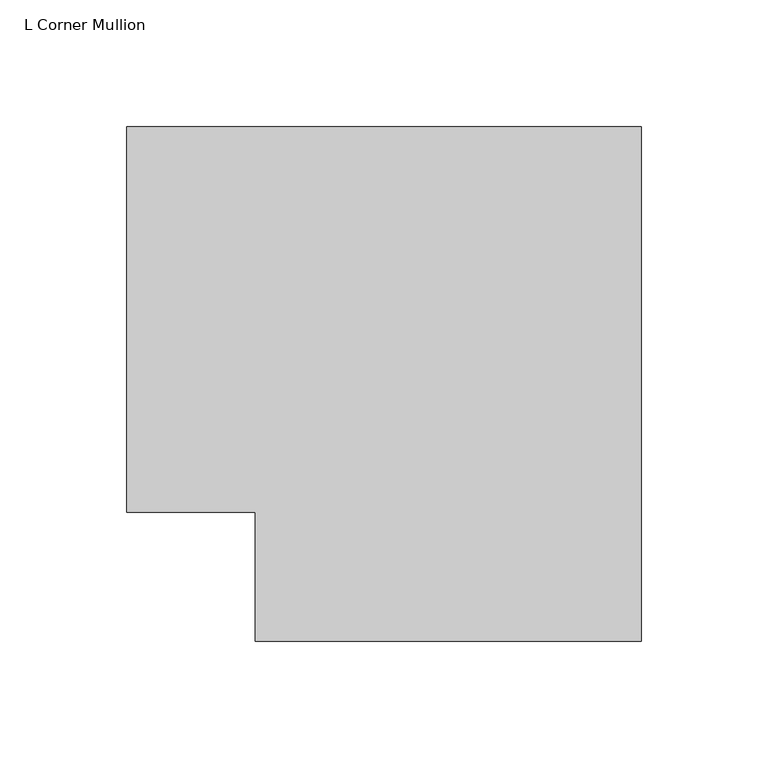
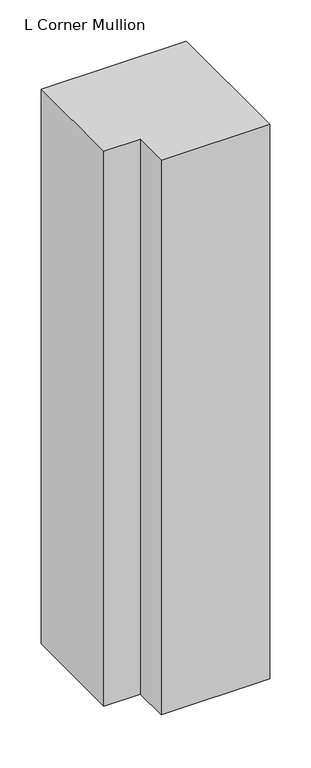
"""IFC4 building model written with IfcOpenShell, lengths in millimetres: member geometry, L Corner Mullion."""

from ifc_helpers import new_model, si_unit, frame, origin, place, context, project, spatial, polyline, outline, extrude, source, transform, mapped, element, save


def l_corner_mullion_5cc9a046(model_context):
    return source(origin(), model_context, "Body", "SweptSolid", [
        extrude(outline(polyline([(-139.7, -190.5), (-139.7, -139.7), (-190.5, -139.7), (-190.5, 12.7), (12.7, 12.7), (12.7, -190.5), (-139.7, -190.5)])), frame((0.0, 0.0, -822.325), z_axis=(0.0, 0.0, 1.0), x_axis=(1.0, 0.0, 0.0)), (0.0, 0.0, 1.0), 822.325),
    ])


if __name__ == "__main__":
    model = new_model("IFC4")
    model_context = context("Model", 3, world=origin())
    ifc_project = project(units=[si_unit("LENGTHUNIT", "METRE", prefix="MILLI")], contexts=[model_context])
    site = spatial("IfcSite", under=ifc_project)
    building = spatial("IfcBuilding", under=site)
    placement = place(None, origin())
    l_corner_mullion_shape = l_corner_mullion_5cc9a046(model_context)
    element("IfcMember", 1, ObjectType="L Corner Mullion", at=placement, inside=building, context=model_context, shape_type="MappedRepresentation", body=[
        mapped(l_corner_mullion_shape, transform((0.0, 0.0, 0.0), x_axis=(1.0, 0.0, 0.0), y_axis=(0.0, 1.0, 0.0), z_axis=(0.0, 0.0, 1.0))),
    ])
    save(model, "model.ifc")
